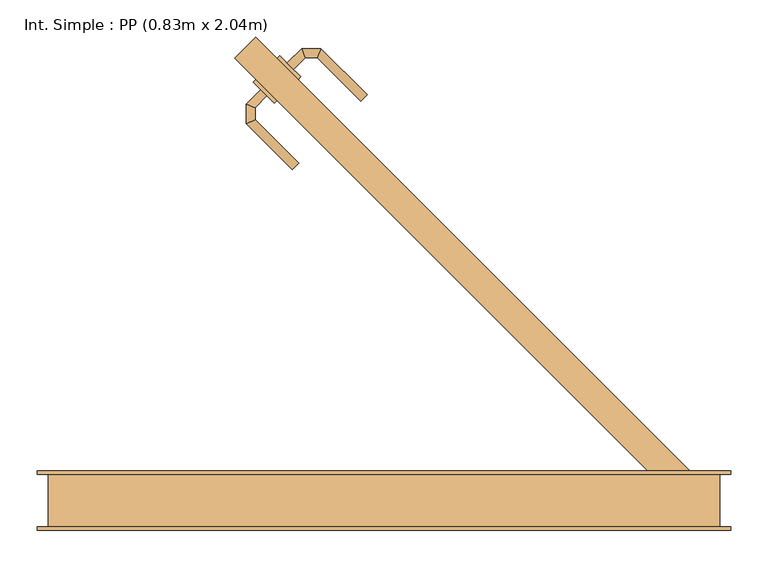
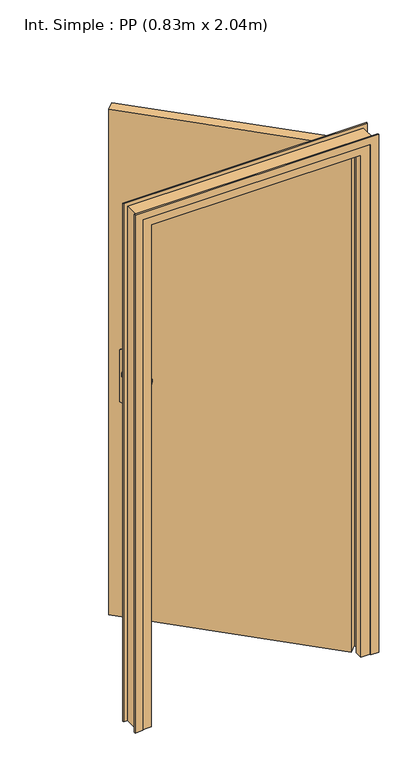
"""IFC4 building model written with IfcOpenShell, lengths in millimetres: door geometry, Int. Simple : PP (0.83m x 2.04m)."""

from ifc_helpers import new_model, si_unit, point, frame, frame_2d, origin, origin_with_axes, place, context, project, spatial, polyline, circle_curve, ellipse_curve, trimmed, segment, composite_curve, outline, extrude, faceted_brep, source, transform, mapped, element, save
from ifc_brep_helpers import plane_surface, cylinder_surface, advanced_brep


def int_simple_pp_0_83m_x_2_04m_5c94e54c(model_context):
    return source(origin(), model_context, "Body", "SolidModel", [
        extrude(outline(composite_curve([segment(trimmed(circle_curve(frame_2d((0.0, 39.9999999)), 40.0), [point((34.6410162, 59.9999999))], [point((34.6410162, 20.0))], False, "CARTESIAN"), True, "CONTINUOUS"), segment(polyline([(34.6410162, 20.0), (-175.3589838, 20.0)]), True, "CONTINUOUS"), segment(trimmed(circle_curve(frame_2d((-140.7179676, 39.9999999)), 40.0), [point((-175.3589838, 20.0))], [point((-175.3589838, 59.9999999))], False, "CARTESIAN"), True, "CONTINUOUS"), segment(polyline([(-175.3589838, 59.9999999), (34.6410162, 59.9999999)]), True, "CONTINUOUS")], self_intersect=False)), frame((-136.1879503, 551.1879503, 904.6410162), z_axis=(0.7071067811865471, 0.707106781186548, 0.0), x_axis=(0.0, 0.0, -1.0)), (0.0, 0.0, 1.0), 5.0),
        extrude(outline(composite_curve([segment(trimmed(circle_curve(frame_2d((0.0, 40.0000001)), 40.0), [point((-34.6410162, 20.0))], [point((-34.6410162, 60.0))], False, "CARTESIAN"), True, "CONTINUOUS"), segment(polyline([(-34.6410162, 60.0), (175.3589838, 60.0)]), True, "CONTINUOUS"), segment(trimmed(circle_curve(frame_2d((140.7179676, 40.0000001)), 40.0), [point((175.3589838, 60.0))], [point((175.3589838, 20.0))], False, "CARTESIAN"), True, "CONTINUOUS"), segment(polyline([(175.3589838, 20.0), (-34.6410162, 20.0)]), True, "CONTINUOUS")], self_intersect=False)), frame((-168.0077554, 519.3681451, 1045.3589838), z_axis=(0.7071067811865471, 0.707106781186548, 0.0), x_axis=(0.0, 0.0, -1.0)), (0.0, 0.0, 1.0), 5.0),
        advanced_brep(
        [(-165.1793283, 587.2503961, 1007.0), (-165.1793283, 587.2503961, 993.0), (-156.6940469, 578.7651147, 993.0), (-156.6940469, 578.7651147, 1007.0), (-140.6565908, 594.8025709, 1007.0), (-145.6271535, 606.8025709, 1007.0), (-140.6565908, 594.8025709, 993.0), (-145.6271535, 606.8025709, 993.0), (-124.6084167, 594.8025709, 1007.0), (-119.637854, 606.8025709, 1007.0), (-124.6084167, 594.8025709, 993.0), (-119.637854, 606.8025709, 993.0), (-57.666004, 544.830721, 1007.0), (-66.1512854, 536.3454396, 1007.0), (-66.1512854, 536.3454396, 993.0), (-57.666004, 544.830721, 993.0)],
        [
            (0, 1),
            (1, 2, circle_curve(frame((-160.9366876, 583.0077554, 1013.0457722), z_axis=(-0.7071067811865495, -0.7071067811865457, 0.0), x_axis=(0.7071067811865457, -0.7071067811865495, 0.0)), 20.9244589)),
            (2, 3),
            (3, 0, circle_curve(frame((-160.9366876, 583.0077554, 986.9542278), z_axis=(-0.7071067811865495, -0.7071067811865457, 0.0), x_axis=(0.7071067811865457, -0.7071067811865495, 0.0)), 20.9244589)),
            (3, 4),
            (4, 5, ellipse_curve(frame((-143.1418722, 600.8025709, 986.9542278), z_axis=(-0.9238795325112958, -0.38268343236506797, 0.0), x_axis=(0.3826834323650682, -0.9238795325112957, 0.0)), 22.6484711, 20.9244589)),
            (5, 0),
            (2, 6),
            (6, 4),
            (1, 7),
            (7, 6, ellipse_curve(frame((-143.1418722, 600.8025709, 1013.0457722), z_axis=(-0.9238795325112958, -0.38268343236506797, 0.0), x_axis=(0.3826834323650682, -0.9238795325112957, 0.0)), 22.6484711, 20.9244589)),
            (5, 7),
            (4, 8),
            (8, 9, ellipse_curve(frame((-122.1231353, 600.8025709, 986.9542278), z_axis=(-0.9238795325112776, 0.38268343236511176, 0.0), x_axis=(-0.3826834323651118, -0.9238795325112777, 0.0)), 22.6484711, 20.9244589)),
            (9, 5),
            (6, 10),
            (10, 8),
            (7, 11),
            (11, 10, ellipse_curve(frame((-122.1231353, 600.8025709, 1013.0457722), z_axis=(-0.9238795325112776, 0.38268343236511176, 0.0), x_axis=(-0.3826834323651118, -0.9238795325112777, 0.0)), 22.6484711, 20.9244589)),
            (9, 11),
            (12, 13, circle_curve(frame((-61.9086447, 540.5880803, 986.9542278), z_axis=(0.7071067811865456, -0.7071067811865496, 0.0), x_axis=(-0.7071067811865496, -0.7071067811865456, 0.0)), 20.9244589)),
            (13, 14),
            (14, 15, circle_curve(frame((-61.9086447, 540.5880803, 1013.0457722), z_axis=(0.7071067811865456, -0.7071067811865496, 0.0), x_axis=(-0.7071067811865496, -0.7071067811865456, 0.0)), 20.9244589)),
            (15, 12),
            (8, 13),
            (12, 9),
            (10, 14),
            (11, 15),
        ],
        [
            plane_surface(frame((-167.45589, 589.5269578, 1000.0), z_axis=(-0.7071067811865495, -0.7071067811865457, 0.0), x_axis=(0.0, 0.0, -1.0))),
            cylinder_surface(frame((-160.9366876, 583.0077554, 986.9542278), z_axis=(-0.7071067811865495, -0.7071067811865457, 0.0), x_axis=(0.7071067811865457, -0.7071067811865495, 0.0)), 20.9244589),
            plane_surface(frame((-156.6940469, 578.7651147, 1007.0), z_axis=(0.7071067811865457, -0.7071067811865495, 0.0), x_axis=(0.7071067811865495, 0.7071067811865457, 0.0))),
            cylinder_surface(frame((-160.9366876, 583.0077554, 1013.0457722), z_axis=(-0.7071067811865495, -0.7071067811865457, 0.0), x_axis=(0.7071067811865457, -0.7071067811865495, 0.0)), 20.9244589),
            plane_surface(frame((-165.1793283, 587.2503961, 993.0), z_axis=(-0.7071067811865457, 0.7071067811865495, 0.0), x_axis=(0.7071067811865495, 0.7071067811865457, 0.0))),
            cylinder_surface(frame((-143.1418722, 600.8025709, 986.9542278), z_axis=(-1.0, 0.0, 0.0), x_axis=(0.0, -1.0, 0.0)), 20.9244589),
            plane_surface(frame((-140.6565908, 594.8025709, 1007.0), z_axis=(0.0, -1.0, 0.0), x_axis=(1.0, 0.0, 0.0))),
            cylinder_surface(frame((-143.1418722, 600.8025709, 1013.0457722), z_axis=(-1.0, 0.0, 0.0), x_axis=(0.0, -1.0, 0.0)), 20.9244589),
            plane_surface(frame((-145.6271535, 606.8025709, 993.0), z_axis=(0.0, 1.0, 0.0), x_axis=(1.0, 0.0, 0.0))),
            plane_surface(frame((-61.9086447, 540.5880803, 990.7804555), z_axis=(0.7071067811865457, -0.7071067811865495, 0.0), x_axis=(-0.7071067811865495, -0.7071067811865457, 0.0))),
            cylinder_surface(frame((-122.1231353, 600.8025709, 986.9542278), z_axis=(-0.7071067811865456, 0.7071067811865496, 0.0), x_axis=(-0.7071067811865496, -0.7071067811865456, 0.0)), 20.9244589),
            plane_surface(frame((-124.6084167, 594.8025709, 1007.0), z_axis=(-0.7071067811865495, -0.7071067811865457, 0.0), x_axis=(0.7071067811865457, -0.7071067811865495, 0.0))),
            cylinder_surface(frame((-122.1231353, 600.8025709, 1013.0457722), z_axis=(-0.7071067811865456, 0.7071067811865496, 0.0), x_axis=(-0.7071067811865496, -0.7071067811865456, 0.0)), 20.9244589),
            plane_surface(frame((-119.637854, 606.8025709, 993.0), z_axis=(0.7071067811865495, 0.7071067811865457, 0.0), x_axis=(0.7071067811865457, -0.7071067811865495, 0.0))),
        ],
        [
            (0, [[1, 2, 3, 4]]),
            (1, [[5, 6, 7, -4]]),
            (2, [[8, 9, -5, -3]]),
            (3, [[10, 11, -8, -2]]),
            (4, [[-7, 12, -10, -1]]),
            (5, [[13, 14, 15, -6]]),
            (6, [[16, 17, -13, -9]]),
            (7, [[18, 19, -16, -11]]),
            (8, [[-15, 20, -18, -12]]),
            (9, [[21, 22, 23, 24]]),
            (10, [[25, -21, 26, -14]]),
            (11, [[27, -22, -25, -17]]),
            (12, [[28, -23, -27, -19]]),
            (13, [[-26, -24, -28, -20]]),
        ],
    ),
        advanced_brep(
        [(-192.049386, 543.4097757, 993.0), (-200.5346674, 551.895057, 993.0), (-200.5346674, 551.895057, 1007.0), (-192.049386, 543.4097757, 1007.0), (-207.9488266, 527.5103351, 1007.0), (-207.9488266, 527.5103351, 993.0), (-219.9488266, 532.4808978, 1007.0), (-219.9488266, 532.4808978, 993.0), (-207.9488266, 511.2676944, 1007.0), (-207.9488266, 511.2676944, 993.0), (-219.9488266, 506.2971317, 1007.0), (-219.9488266, 506.2971317, 993.0), (-149.5697355, 452.8886034, 993.0), (-149.5697355, 452.8886034, 1007.0), (-158.0550169, 444.403322, 1007.0), (-158.0550169, 444.403322, 993.0)],
        [
            (0, 1, circle_curve(frame((-196.2920267, 547.6524164, 1013.0457722), z_axis=(0.7071067811865495, 0.7071067811865457, 0.0), x_axis=(-0.7071067811865457, 0.7071067811865495, 0.0)), 20.9244589)),
            (1, 2),
            (2, 3, circle_curve(frame((-196.2920267, 547.6524164, 986.9542278), z_axis=(0.7071067811865495, 0.7071067811865457, 0.0), x_axis=(-0.7071067811865457, 0.7071067811865495, 0.0)), 20.9244589)),
            (3, 0),
            (3, 4),
            (4, 5),
            (5, 0),
            (2, 6),
            (6, 4, ellipse_curve(frame((-213.9488266, 529.9956165, 986.9542278), z_axis=(0.3826834323650731, 0.9238795325112936, 0.0), x_axis=(0.923879532511294, -0.38268343236507274, 0.0)), 22.6484711, 20.9244589)),
            (1, 7),
            (7, 6),
            (5, 7, ellipse_curve(frame((-213.9488266, 529.9956165, 1013.0457722), z_axis=(0.3826834323650731, 0.9238795325112936, 0.0), x_axis=(0.923879532511294, -0.38268343236507274, 0.0)), 22.6484711, 20.9244589)),
            (4, 8),
            (8, 9),
            (9, 5),
            (6, 10),
            (10, 8, ellipse_curve(frame((-213.9488266, 508.782413, 986.9542278), z_axis=(-0.3826834323651065, 0.9238795325112799, 0.0), x_axis=(0.92387953251128, 0.3826834323651063, 0.0)), 22.6484711, 20.9244589)),
            (7, 11),
            (11, 10),
            (9, 11, ellipse_curve(frame((-213.9488266, 508.782413, 1013.0457722), z_axis=(-0.3826834323651065, 0.9238795325112799, 0.0), x_axis=(0.92387953251128, 0.3826834323651063, 0.0)), 22.6484711, 20.9244589)),
            (12, 13),
            (13, 14, circle_curve(frame((-153.8123762, 448.6459627, 986.9542278), z_axis=(0.7071067811865457, -0.7071067811865495, 0.0), x_axis=(-0.7071067811865495, -0.7071067811865457, 0.0)), 20.9244589)),
            (14, 15),
            (15, 12, circle_curve(frame((-153.8123762, 448.6459627, 1013.0457722), z_axis=(0.7071067811865457, -0.7071067811865495, 0.0), x_axis=(-0.7071067811865495, -0.7071067811865457, 0.0)), 20.9244589)),
            (8, 13),
            (12, 9),
            (10, 14),
            (11, 15),
        ],
        [
            plane_surface(frame((-202.8112291, 554.1716188, 1000.0), z_axis=(0.7071067811865495, 0.7071067811865457, 0.0), x_axis=(0.0, 0.0, 1.0))),
            plane_surface(frame((-192.049386, 543.4097757, 993.0), z_axis=(0.7071067811865457, -0.7071067811865495, 0.0), x_axis=(-0.7071067811865495, -0.7071067811865457, 0.0))),
            cylinder_surface(frame((-196.2920267, 547.6524164, 986.9542278), z_axis=(0.7071067811865495, 0.7071067811865457, 0.0), x_axis=(-0.7071067811865457, 0.7071067811865495, 0.0)), 20.9244589),
            plane_surface(frame((-200.5346674, 551.895057, 1007.0), z_axis=(-0.7071067811865457, 0.7071067811865495, 0.0), x_axis=(-0.7071067811865495, -0.7071067811865457, 0.0))),
            cylinder_surface(frame((-196.2920267, 547.6524164, 1013.0457722), z_axis=(0.7071067811865495, 0.7071067811865457, 0.0), x_axis=(-0.7071067811865457, 0.7071067811865495, 0.0)), 20.9244589),
            plane_surface(frame((-207.9488266, 527.5103351, 993.0), z_axis=(1.0, 0.0, 0.0), x_axis=(0.0, -1.0, 0.0))),
            cylinder_surface(frame((-213.9488266, 529.9956165, 986.9542278), z_axis=(0.0, 1.0, 0.0), x_axis=(-1.0, 0.0, 0.0)), 20.9244589),
            plane_surface(frame((-219.9488266, 532.4808978, 1007.0), z_axis=(-1.0, 0.0, 0.0), x_axis=(0.0, -1.0, 0.0))),
            cylinder_surface(frame((-213.9488266, 529.9956165, 1013.0457722), z_axis=(0.0, 1.0, 0.0), x_axis=(-1.0, 0.0, 0.0)), 20.9244589),
            plane_surface(frame((-153.8123762, 448.6459627, 990.7804555), z_axis=(0.7071067811865457, -0.7071067811865495, 0.0), x_axis=(-0.7071067811865495, -0.7071067811865457, 0.0))),
            plane_surface(frame((-207.9488266, 511.2676944, 993.0), z_axis=(0.7071067811865495, 0.7071067811865457, 0.0), x_axis=(0.7071067811865457, -0.7071067811865495, 0.0))),
            cylinder_surface(frame((-213.9488266, 508.782413, 986.9542278), z_axis=(-0.7071067811865457, 0.7071067811865495, 0.0), x_axis=(-0.7071067811865495, -0.7071067811865457, 0.0)), 20.9244589),
            plane_surface(frame((-219.9488266, 506.2971317, 1007.0), z_axis=(-0.7071067811865495, -0.7071067811865457, 0.0), x_axis=(0.7071067811865457, -0.7071067811865495, 0.0))),
            cylinder_surface(frame((-213.9488266, 508.782413, 1013.0457722), z_axis=(-0.7071067811865457, 0.7071067811865495, 0.0), x_axis=(-0.7071067811865495, -0.7071067811865457, 0.0)), 20.9244589),
        ],
        [
            (0, [[1, 2, 3, 4]]),
            (1, [[5, 6, 7, -4]]),
            (2, [[8, 9, -5, -3]]),
            (3, [[10, 11, -8, -2]]),
            (4, [[-7, 12, -10, -1]]),
            (5, [[13, 14, 15, -6]]),
            (6, [[16, 17, -13, -9]]),
            (7, [[18, 19, -16, -11]]),
            (8, [[-15, 20, -18, -12]]),
            (9, [[21, 22, 23, 24]]),
            (10, [[25, -21, 26, -14]]),
            (11, [[27, -22, -25, -17]]),
            (12, [[28, -23, -27, -19]]),
            (13, [[-26, -24, -28, -20]]),
        ],
    ),
        extrude(outline(polyline([(-235.1828996, 593.6143571), (-206.8986284, 621.8986284), (380.0, 35.0), (351.7157288, 6.7157288), (-235.1828996, 593.6143571)])), origin_with_axes(), (0.0, 0.0, 1.0), 2040.0),
        faceted_brep([(-485.0, 35.0, 0.0), (-450.0, 35.0, 0.0), (-450.0, -5.0, 0.0), (-435.0, -5.0, 0.0), (-435.0, -35.0, 0.0), (-485.0, -35.0, 0.0), (-485.0, -35.0, 2075.0), (-485.0, 35.0, 2075.0), (-435.0, -35.0, 2025.0), (365.0, -35.0, 2025.0), (365.0, -35.0, 0.0), (415.0, -35.0, 0.0), (415.0, -35.0, 2075.0), (-435.0, -5.0, 2025.0), (-450.0, -5.0, 2040.0), (380.0, -5.0, 2040.0), (380.0, -5.0, 0.0), (365.0, -5.0, 0.0), (365.0, -5.0, 2025.0), (-450.0, 35.0, 2040.0), (415.0, 35.0, 2075.0), (415.0, 35.0, 0.0), (380.0, 35.0, 0.0), (380.0, 35.0, 2040.0)], [[[0, 1, 2, 3, 4, 5]], [[5, 6, 7, 0]], [[4, 8, 9, 10, 11, 12, 6, 5]], [[3, 13, 8, 4]], [[2, 14, 15, 16, 17, 18, 13, 3]], [[1, 19, 14, 2]], [[0, 7, 20, 21, 22, 23, 19, 1]], [[12, 11, 21, 20]], [[21, 11, 10, 17, 16, 22]], [[18, 17, 10, 9]], [[23, 22, 16, 15]], [[6, 12, 20, 7]], [[13, 18, 9, 8]], [[19, 23, 15, 14]]]),
        extrude(outline(polyline([(0.0, -470.0), (2060.0, -470.0), (2060.0, 400.0), (0.0, 400.0), (0.0, 430.0), (2090.0, 430.0), (2090.0, -500.0), (0.0, -500.0), (0.0, -470.0)])), frame((0.0, 35.0, 0.0), z_axis=(0.0, 1.0, 0.0), x_axis=(0.0, 0.0, 1.0)), (0.0, 0.0, 1.0), 5.0),
        extrude(outline(polyline([(0.0, -470.0), (2060.0, -470.0), (2060.0, 400.0), (0.0, 400.0), (0.0, 430.0), (2090.0, 430.0), (2090.0, -500.0), (0.0, -500.0), (0.0, -470.0)])), frame((0.0, -40.0, 0.0), z_axis=(0.0, 1.0, 0.0), x_axis=(0.0, 0.0, 1.0)), (0.0, 0.0, 1.0), 5.0),
    ])


if __name__ == "__main__":
    model = new_model("IFC4")
    model_context = context("Model", 3, world=origin())
    ifc_project = project(units=[si_unit("LENGTHUNIT", "METRE", prefix="MILLI")], contexts=[model_context])
    site = spatial("IfcSite", under=ifc_project)
    building = spatial("IfcBuilding", under=site)
    placement = place(None, origin())
    int_simple_pp_0_83m_x_2_04m_shape = int_simple_pp_0_83m_x_2_04m_5c94e54c(model_context)
    element("IfcDoor", 1, ObjectType="Int. Simple : PP (0.83m x 2.04m)", at=placement, inside=building, context=model_context, shape_type="MappedRepresentation", body=[
        mapped(int_simple_pp_0_83m_x_2_04m_shape, transform((0.0, 0.0, 0.0), x_axis=(1.0, 0.0, 0.0), y_axis=(0.0, 1.0, 0.0), z_axis=(0.0, 0.0, 1.0))),
    ])
    save(model, "model.ifc")
